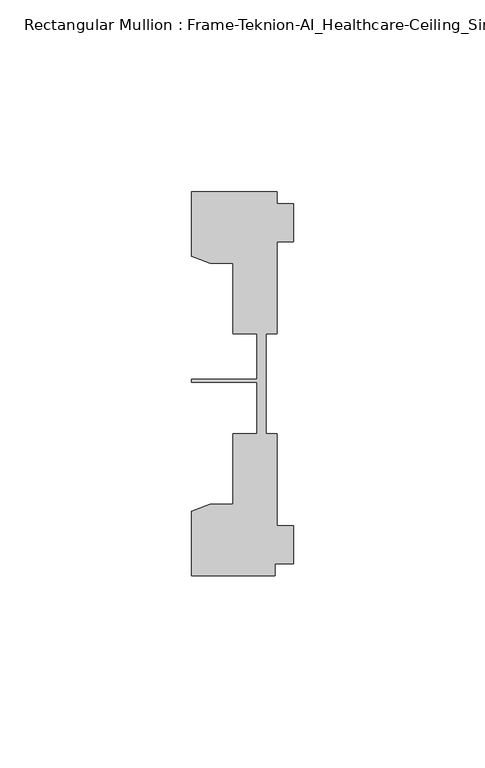
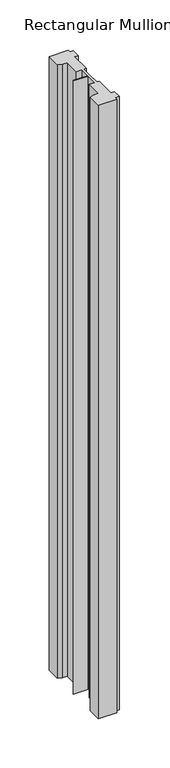
"""IFC4 building model written with IfcOpenShell, lengths in millimetres: member geometry, Rectangular Mullion : Frame-Teknion-AI_Healthcare-Ceiling_Single_Channel."""

from ifc_helpers import new_model, si_unit, frame, origin, place, context, project, spatial, polyline, outline, extrude, source, transform, mapped, element, save


def rectangular_mullion_frame_teknion_ai_healthcare_ceiling_ace46d8e(model_context):
    return source(origin(), model_context, "Body", "SweptSolid", [
        extrude(outline(polyline([(-26.4921999, -34.0201677), (-21.6625199, -32.2880982), (-15.6737764, -32.2880982), (-15.6737764, -13.9110722), (-9.4507761, -13.9110722), (-9.4507761, -0.4036528), (-26.4921999, -0.4036528), (-26.4921999, 0.4036528), (-9.4507761, 0.4036528), (-9.4507761, 12.2509301), (-15.6737764, 12.2509301), (-15.6737764, 30.6279561), (-21.6625199, 30.6279561), (-26.4921999, 32.3600207), (-26.4921999, 49.1699293), (-4.2672007, 49.1699293), (-4.2672007, 46.1219322), (0.0, 46.1219322), (0.0, 36.1219249), (-4.2672007, 36.1219249), (-4.2672007, 12.2509301), (-7.1647766, 12.2509301), (-7.1647766, -0.0814804), (-7.1647766, -13.9110722), (-4.2672007, -13.9110722), (-4.2672007, -37.7820716), (0.0, -37.7820716), (0.0, -47.782071), (-4.7752002, -47.782071), (-4.7752002, -50.8315128), (-26.4921999, -50.8315128), (-26.4921999, -34.0201677)])), frame((0.0, 0.0, -762.0), z_axis=(0.0, 0.0, 1.0), x_axis=(1.0, 0.0, 0.0)), (0.0, 0.0, 1.0), 762.0),
    ])


if __name__ == "__main__":
    model = new_model("IFC4")
    model_context = context("Model", 3, world=origin())
    ifc_project = project(units=[si_unit("LENGTHUNIT", "METRE", prefix="MILLI")], contexts=[model_context])
    site = spatial("IfcSite", under=ifc_project)
    building = spatial("IfcBuilding", under=site)
    placement = place(None, origin())
    rectangular_mullion_frame_teknion_ai_healthcare_ceiling_shape = rectangular_mullion_frame_teknion_ai_healthcare_ceiling_ace46d8e(model_context)
    element("IfcMember", 1, ObjectType="Rectangular Mullion : Frame-Teknion-AI_Healthcare-Ceiling_Single_Channel", at=placement, inside=building, context=model_context, shape_type="MappedRepresentation", body=[
        mapped(rectangular_mullion_frame_teknion_ai_healthcare_ceiling_shape, transform((0.0, 0.0, 0.0), x_axis=(1.0, 0.0, 0.0), y_axis=(0.0, 1.0, 0.0), z_axis=(0.0, 0.0, 1.0))),
    ])
    save(model, "model.ifc")
